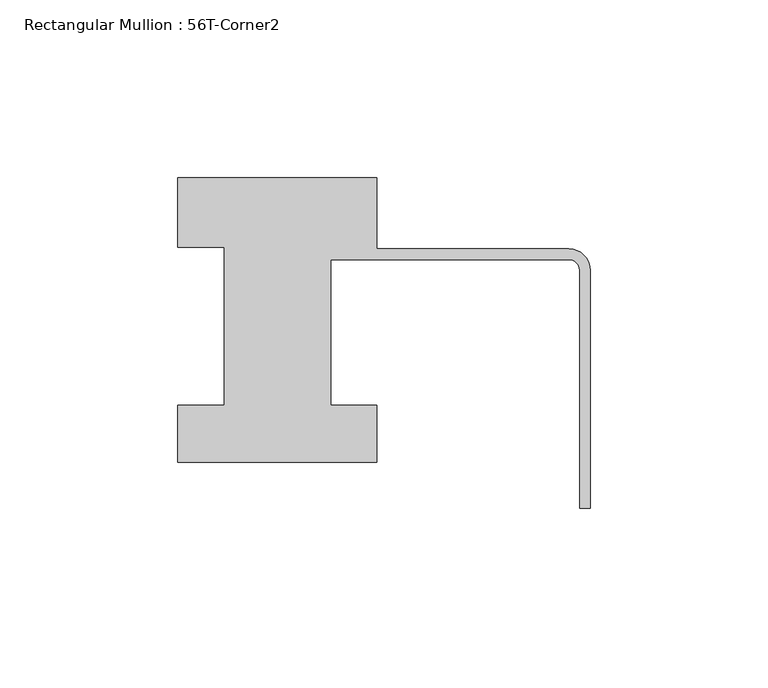
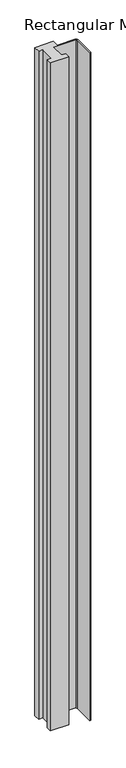
"""IFC4 building model written with IfcOpenShell, lengths in millimetres: member geometry, Rectangular Mullion : 56T-Corner2."""

from ifc_helpers import new_model, si_unit, point, frame, frame_2d, origin, place, context, project, spatial, polyline, circle_curve, trimmed, segment, composite_curve, outline, extrude, source, transform, mapped, element, save


def rectangular_mullion_56t_corner2_e7a76294(model_context):
    return source(origin(), model_context, "Body", "SweptSolid", [
        extrude(outline(composite_curve([segment(polyline([(-116.0, 20.0), (-60.0, 20.0), (-60.0, 0.0), (-6.0, 0.0)]), True, "CONTINUOUS"), segment(trimmed(circle_curve(frame_2d((-6.0, -6.0)), 6.0), [point((-6.0, 0.0))], [point((0.0, -6.0))], False, "CARTESIAN"), True, "CONTINUOUS"), segment(polyline([(0.0, -6.0), (0.0, -73.0), (-3.0, -73.0), (-3.0, -6.0)]), True, "CONTINUOUS"), segment(trimmed(circle_curve(frame_2d((-6.0, -6.0)), 3.0), [point((-3.0, -6.0))], [point((-6.0, -3.0))], True, "CARTESIAN"), True, "CONTINUOUS"), segment(polyline([(-6.0, -3.0), (-73.0, -3.0), (-73.0, -44.0), (-60.0, -44.0), (-60.0, -60.0), (-116.0, -60.0), (-116.0, -44.0), (-103.0, -44.0), (-103.0, 0.5), (-116.0, 0.5), (-116.0, 20.0)]), True, "CONTINUOUS")], self_intersect=False)), frame((0.0, 0.0, -2144.0), z_axis=(0.0, 0.0, 1.0), x_axis=(1.0, 0.0, 0.0)), (0.0, 0.0, 1.0), 2144.0),
    ])


if __name__ == "__main__":
    model = new_model("IFC4")
    model_context = context("Model", 3, world=origin())
    ifc_project = project(units=[si_unit("LENGTHUNIT", "METRE", prefix="MILLI")], contexts=[model_context])
    site = spatial("IfcSite", under=ifc_project)
    building = spatial("IfcBuilding", under=site)
    placement = place(None, origin())
    rectangular_mullion_56t_corner2_shape = rectangular_mullion_56t_corner2_e7a76294(model_context)
    element("IfcMember", 1, ObjectType="Rectangular Mullion : 56T-Corner2", at=placement, inside=building, context=model_context, shape_type="MappedRepresentation", body=[
        mapped(rectangular_mullion_56t_corner2_shape, transform((0.0, 0.0, 0.0), x_axis=(1.0, 0.0, 0.0), y_axis=(0.0, 1.0, 0.0), z_axis=(0.0, 0.0, 1.0))),
    ])
    save(model, "model.ifc")
